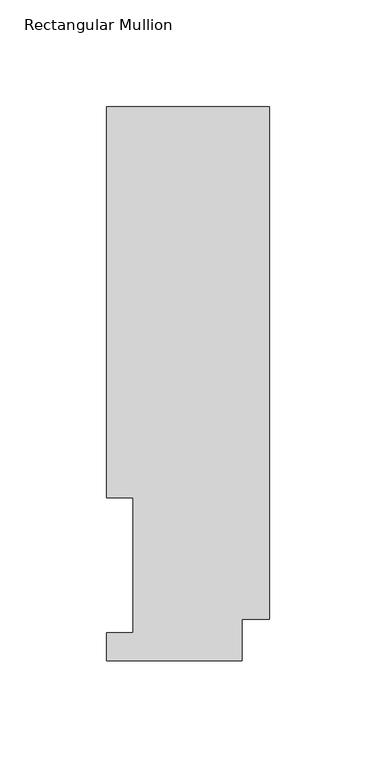
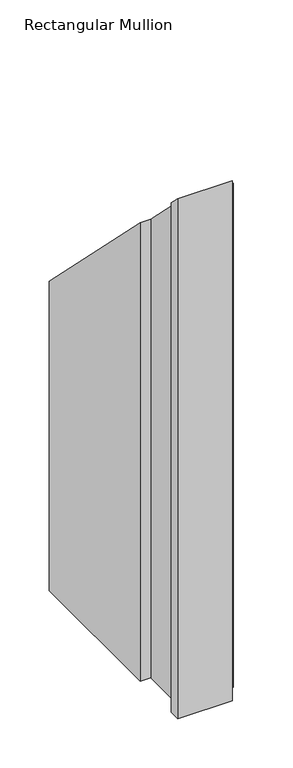
"""IFC4 building model written with IfcOpenShell, lengths in millimetres: member geometry, Rectangular Mullion."""

from ifc_helpers import new_model, si_unit, origin, place, context, project, spatial, faceted_brep, source, transform, mapped, element, save


def rectangular_mullion_0c055371(model_context):
    return source(origin(), model_context, "Body", "Brep", [
        faceted_brep([(0.0, 19.5088257, -641.35), (-12.7, 19.5088257, -641.35), (-12.7, -0.0333811, -641.35), (-76.2, -0.0333811, -641.35), (-76.2, 13.1492189, -641.35), (-63.8581605, 13.1492189, -641.35), (-63.8581605, 76.2992187, -641.35), (-76.2, 76.2992187, -641.35), (-76.2, 259.4586188, -641.35), (0.0, 259.4586188, -641.35), (0.0, 259.4586188, -259.4586188), (0.0, 19.5088257, -19.5088257), (-76.2, 259.4586188, -259.4586188), (-76.2, 76.2992187, -76.2992188), (-63.8581605, 76.2992187, -76.2992188), (-63.8581605, 13.1492189, -13.1492189), (-76.2, 13.1492189, -13.1492189), (-76.2, -0.0333811, 0.0333811), (-12.7, -0.0333811, 0.0333811), (-12.7, 19.5088257, -19.5088257)], [[[0, 1, 2, 3, 4, 5, 6, 7, 8, 9]], [[10, 11, 0, 9]], [[12, 10, 9, 8]], [[13, 12, 8, 7]], [[14, 13, 7, 6]], [[15, 14, 6, 5]], [[16, 15, 5, 4]], [[17, 16, 4, 3]], [[18, 17, 3, 2]], [[19, 18, 2, 1]], [[11, 19, 1, 0]], [[11, 10, 12, 13, 14, 15, 16, 17, 18, 19]]]),
    ])


if __name__ == "__main__":
    model = new_model("IFC4")
    model_context = context("Model", 3, world=origin())
    ifc_project = project(units=[si_unit("LENGTHUNIT", "METRE", prefix="MILLI")], contexts=[model_context])
    site = spatial("IfcSite", under=ifc_project)
    building = spatial("IfcBuilding", under=site)
    placement = place(None, origin())
    rectangular_mullion_shape = rectangular_mullion_0c055371(model_context)
    element("IfcMember", 1, ObjectType="Rectangular Mullion", at=placement, inside=building, context=model_context, shape_type="MappedRepresentation", body=[
        mapped(rectangular_mullion_shape, transform((0.0, 0.0, 0.0), x_axis=(1.0, 0.0, 0.0), y_axis=(0.0, 1.0, 0.0), z_axis=(0.0, 0.0, 1.0))),
    ])
    save(model, "model.ifc")
